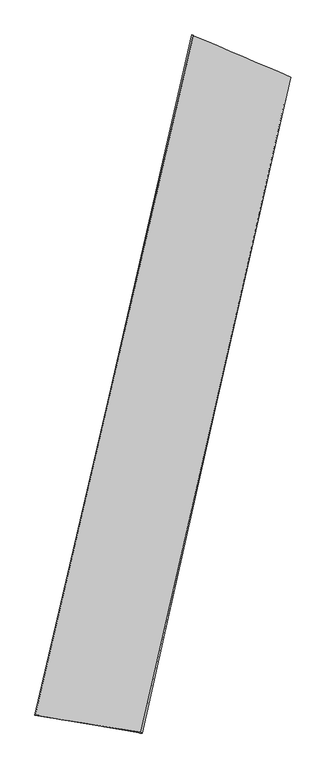
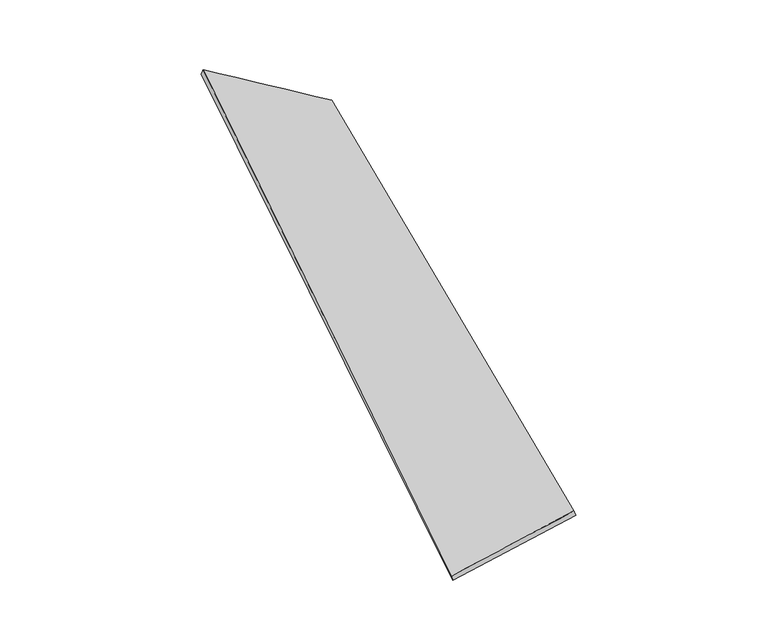
"""IFC4 building model written with IfcOpenShell, lengths in millimetres: proxy geometry."""

from ifc_helpers import new_model, si_unit, origin, place, context, project, spatial, source, transform, mapped, element, save
from ifc_brep_helpers import spline_surface, advanced_brep


def generic_models_19718b59(model_context):
    return source(origin(), model_context, "Body", "AdvancedBrep", [
        advanced_brep(
        [(-716.390989, -1814.8571721, -116.1154985), (-726.8528257, -1814.0497113, -88.0103748), (250.1810058, 2375.4143266, 147.3598454), (240.0222781, 2379.3008526, 119.4010334), (-73.0343698, -1919.9716794, 148.9644948), (850.7347445, 2118.641046, -95.8765506), (-63.8151432, -1923.7451588, 120.6666731), (840.1838541, 2119.3014782, -123.952208)],
        [
            (0, 1),
            (1, 2),
            (2, 3),
            (3, 0),
            (1, 4),
            (4, 5),
            (5, 2),
            (4, 6),
            (6, 7),
            (7, 5),
            (6, 0),
            (3, 7),
        ],
        [
            spline_surface(1, 1, [[(-716.390989, -1814.8571721, -116.1154985), (240.0222781, 2379.3008526, 119.4010334)], [(-726.8528257, -1814.0497113, -88.0103748), (250.1810058, 2375.4143266, 147.3598454)]], [2, 2], [2, 2], [0.0, 1.0], [0.0, 1.0]),
            spline_surface(1, 1, [[(-726.8528257, -1814.0497113, -88.0103748), (250.1810058, 2375.4143266, 147.3598454)], [(-73.0343698, -1919.9716794, 148.9644948), (850.7347445, 2118.641046, -95.8765506)]], [2, 2], [2, 2], [0.0, 1.0], [0.0, 1.0]),
            spline_surface(1, 1, [[(-73.0343698, -1919.9716794, 148.9644948), (850.7347445, 2118.641046, -95.8765506)], [(-63.8151432, -1923.7451588, 120.6666731), (840.1838541, 2119.3014782, -123.952208)]], [2, 2], [2, 2], [0.0, 1.0], [0.0, 1.0]),
            spline_surface(1, 1, [[(-63.8151432, -1923.7451588, 120.6666731), (840.1838541, 2119.3014782, -123.952208)], [(-716.390989, -1814.8571721, -116.1154985), (240.0222781, 2379.3008526, 119.4010334)]], [2, 2], [2, 2], [0.0, 1.0], [0.0, 1.0]),
            spline_surface(1, 1, [[(250.1810058, 2375.4143266, 147.3598454), (240.0222781, 2379.3008526, 119.4010334)], [(850.7347445, 2118.641046, -95.8765506), (840.1838541, 2119.3014782, -123.952208)]], [2, 2], [2, 2], [0.0, 1.0], [0.0, 1.0]),
            spline_surface(1, 1, [[(-63.8151432, -1923.7451588, 120.6666731), (-716.390989, -1814.8571721, -116.1154985)], [(-73.0343698, -1919.9716794, 148.9644948), (-726.8528257, -1814.0497113, -88.0103748)]], [2, 2], [2, 2], [0.0, 1.0], [0.0, 1.0]),
        ],
        [
            (0, [[1, 2, 3, 4]]),
            (1, [[5, 6, 7, -2]]),
            (2, [[8, 9, 10, -6]]),
            (3, [[11, -4, 12, -9]]),
            (4, [[-3, -7, -10, -12]]),
            (5, [[-11, -8, -5, -1]]),
        ],
    ),
    ])


if __name__ == "__main__":
    model = new_model("IFC4")
    model_context = context("Model", 3, world=origin())
    ifc_project = project(units=[si_unit("LENGTHUNIT", "METRE", prefix="MILLI")], contexts=[model_context])
    site = spatial("IfcSite", under=ifc_project)
    building = spatial("IfcBuilding", under=site)
    placement = place(None, origin())
    generic_models_shape = generic_models_19718b59(model_context)
    element("IfcBuildingElementProxy", 1, Name="Generic Models", at=placement, inside=building, context=model_context, shape_type="MappedRepresentation", body=[
        mapped(generic_models_shape, transform((0.0, 0.0, 0.0), x_axis=(1.0, 0.0, 0.0), y_axis=(0.0, 1.0, 0.0), z_axis=(0.0, 0.0, 1.0))),
    ])
    save(model, "model.ifc")
